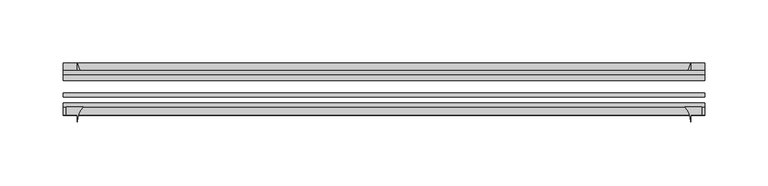
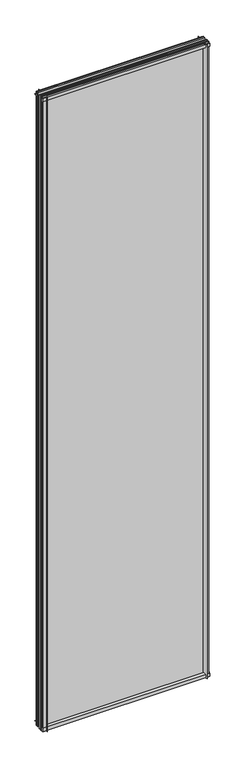
"""IFC4 building model written with IfcOpenShell, lengths in millimetres: plate geometry."""

from ifc_helpers import new_model, si_unit, point, frame, frame_2d, origin, place, context, project, spatial, polyline, circle_curve, trimmed, segment, composite_curve, outline, extrude, source, transform, mapped, element, save


def plate_765954ab(model_context):
    return source(origin(), model_context, "Body", "SweptSolid", [
        extrude(outline(composite_curve([segment(polyline([(-42.891075, -11.1125), (-42.891075, 3.8539528)]), True, "CONTINUOUS"), segment(trimmed(circle_curve(frame_2d((-26.637892, 29.5913262)), 30.4397495), [point((-42.891075, 3.8539528))], [point((-33.7745413, 0.0))], True, "CARTESIAN"), True, "CONTINUOUS"), segment(polyline([(-33.7745413, 0.0), (-39.690675, 0.0), (-39.690675, -11.1125), (-42.891075, -11.1125)]), True, "CONTINUOUS")], self_intersect=False)), frame((-253.20625, 0.0, 0.0), z_axis=(1.0, 0.0, 0.0), x_axis=(0.0, 1.0, 0.0)), (0.0, 0.0, 1.0), 506.4125),
        extrude(outline(composite_curve([segment(trimmed(circle_curve(frame_2d((-80.4922797, 17.8701603)), 18.6769817), [point((-74.641075, 0.1333891))], [point((-68.291075, 3.72943))], True, "CARTESIAN"), True, "CONTINUOUS"), segment(polyline([(-68.291075, 3.72943), (-68.291075, -10.3251), (-74.641075, -10.3251), (-74.641075, 0.1333891)]), True, "CONTINUOUS")], self_intersect=False)), frame((-253.20625, 0.0, 0.0), z_axis=(1.0, 0.0, 0.0), x_axis=(0.0, 1.0, 0.0)), (0.0, 0.0, 1.0), 506.4125),
        extrude(outline(composite_curve([segment(polyline([(-42.891075, 2005.9083472), (-42.891075, 2020.8875), (-39.690675, 2020.8875), (-39.690675, 2009.775), (-33.721675, 2009.775)]), True, "CONTINUOUS"), segment(trimmed(circle_curve(frame_2d((-26.637892, 1980.1709738)), 30.4397495), [point((-33.721675, 2009.775))], [point((-42.891075, 2005.9083472))], True, "CARTESIAN"), True, "CONTINUOUS")], self_intersect=False)), frame((-253.20625, 0.0, 0.0), z_axis=(1.0, 0.0, 0.0), x_axis=(0.0, 1.0, 0.0)), (0.0, 0.0, 1.0), 506.4125),
        extrude(outline(composite_curve([segment(polyline([(-68.291075, 2018.5126), (-68.291075, 2005.23912)]), True, "CONTINUOUS"), segment(trimmed(circle_curve(frame_2d((-80.4922797, 1991.0983897)), 18.6769817), [point((-68.291075, 2005.23912))], [point((-74.641075, 2008.8351609))], True, "CARTESIAN"), True, "CONTINUOUS"), segment(polyline([(-74.641075, 2008.8351609), (-74.641075, 2018.5126), (-68.291075, 2018.5126)]), True, "CONTINUOUS")], self_intersect=False)), frame((-253.20625, 0.0, 0.0), z_axis=(1.0, 0.0, 0.0), x_axis=(0.0, 1.0, 0.0)), (0.0, 0.0, 1.0), 506.4125),
        extrude(outline(composite_curve([segment(polyline([(237.55787, -68.291075), (250.83135, -68.291075), (250.83135, -74.641075), (242.09375, -74.641075), (242.09375, -80.3744844)]), True, "CONTINUOUS"), segment(trimmed(circle_curve(frame_2d((223.4171397, -80.4922797)), 18.6769817), [point((242.09375, -80.3744844))], [point((237.55787, -68.291075))], True, "CARTESIAN"), True, "CONTINUOUS")], self_intersect=False)), frame((0.0, 0.0, -11.1125), z_axis=(0.0, 0.0, 1.0), x_axis=(1.0, 0.0, 0.0)), (0.0, 0.0, 1.0), 2032.0),
        extrude(outline(composite_curve([segment(trimmed(circle_curve(frame_2d((212.4897238, -26.637892)), 30.4397495), [point((238.2270972, -42.891075))], [point((242.09375, -33.721675))], True, "CARTESIAN"), True, "CONTINUOUS"), segment(polyline([(242.09375, -33.721675), (242.09375, -39.690675), (253.20625, -39.690675), (253.20625, -42.891075), (238.2270972, -42.891075)]), True, "CONTINUOUS")], self_intersect=False)), frame((0.0, 0.0, -11.1125), z_axis=(0.0, 0.0, 1.0), x_axis=(1.0, 0.0, 0.0)), (0.0, 0.0, 1.0), 2032.0),
        extrude(outline(composite_curve([segment(trimmed(circle_curve(frame_2d((-223.4171397, -80.4922797)), 18.6769817), [point((-237.55787, -68.291075))], [point((-242.09375, -80.3744844))], True, "CARTESIAN"), True, "CONTINUOUS"), segment(polyline([(-242.09375, -80.3744844), (-242.09375, -74.641075), (-250.83135, -74.641075), (-250.83135, -68.291075), (-237.55787, -68.291075)]), True, "CONTINUOUS")], self_intersect=False)), frame((0.0, 0.0, -11.1125), z_axis=(0.0, 0.0, 1.0), x_axis=(1.0, 0.0, 0.0)), (0.0, 0.0, 1.0), 2032.0),
        extrude(outline(composite_curve([segment(polyline([(-238.2270972, -42.891075), (-253.20625, -42.891075), (-253.20625, -39.690675), (-242.09375, -39.690675), (-242.09375, -33.721675)]), True, "CONTINUOUS"), segment(trimmed(circle_curve(frame_2d((-212.4897238, -26.637892)), 30.4397495), [point((-242.09375, -33.721675))], [point((-238.2270972, -42.891075))], True, "CARTESIAN"), True, "CONTINUOUS")], self_intersect=False)), frame((0.0, 0.0, -11.1125), z_axis=(0.0, 0.0, 1.0), x_axis=(1.0, 0.0, 0.0)), (0.0, 0.0, 1.0), 2032.0),
        extrude(outline(polyline([(-253.20625, -42.891075), (253.20625, -42.891075), (253.20625, -47.653575), (-253.20625, -47.653575), (-253.20625, -42.891075)])), frame((0.0, 0.0, -11.1125), z_axis=(0.0, 0.0, 1.0), x_axis=(1.0, 0.0, 0.0)), (0.0, 0.0, 1.0), 2032.0),
        extrude(outline(polyline([(253.20625, -57.369075), (253.20625, -60.544075), (-253.20625, -60.544075), (-253.20625, -57.369075), (253.20625, -57.369075)])), frame((0.0, 0.0, -11.1125), z_axis=(0.0, 0.0, 1.0), x_axis=(1.0, 0.0, 0.0)), (0.0, 0.0, 1.0), 2032.0),
        extrude(outline(polyline([(-253.20625, -65.116075), (253.20625, -65.116075), (253.20625, -68.291075), (-253.20625, -68.291075), (-253.20625, -65.116075)])), frame((0.0, 0.0, -11.1125), z_axis=(0.0, 0.0, 1.0), x_axis=(1.0, 0.0, 0.0)), (0.0, 0.0, 1.0), 2032.0),
    ])


if __name__ == "__main__":
    model = new_model("IFC4")
    model_context = context("Model", 3, world=origin())
    ifc_project = project(units=[si_unit("LENGTHUNIT", "METRE", prefix="MILLI")], contexts=[model_context])
    site = spatial("IfcSite", under=ifc_project)
    building = spatial("IfcBuilding", under=site)
    placement = place(None, origin())
    plate_shape = plate_765954ab(model_context)
    element("IfcPlate", 1, at=placement, inside=building, context=model_context, shape_type="MappedRepresentation", body=[
        mapped(plate_shape, transform((0.0, 0.0, 0.0), x_axis=(1.0, 0.0, 0.0), y_axis=(0.0, 1.0, 0.0), z_axis=(0.0, 0.0, 1.0))),
    ])
    save(model, "model.ifc")
